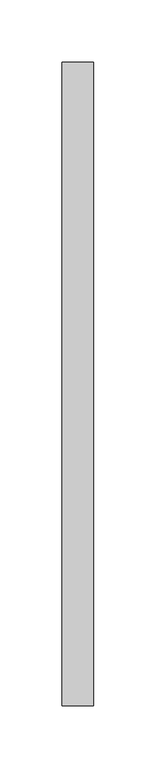
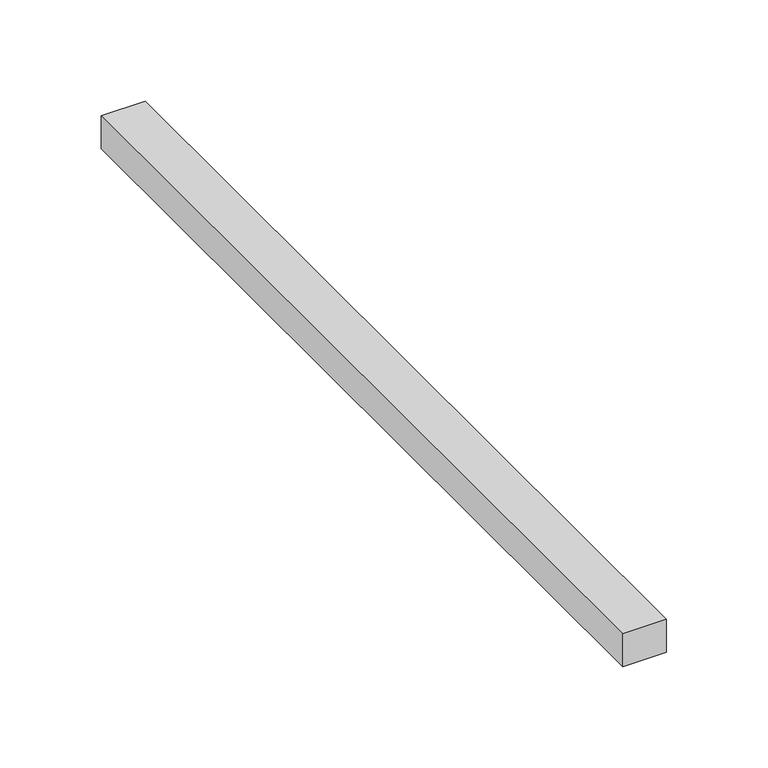
"""IFC4 building model written with IfcOpenShell, lengths in millimetres: proxy geometry."""

import ifcopenshell
import ifcopenshell.guid

model = None  # the IFC model being written
_history = None  # IfcOwnerHistory: only IFC2X3 demands one
_inside = {}  # id of a spatial element -> (the spatial element, [elements in it])
_under = {}  # id of a project, library or spatial element -> (it, [spatial elements below it])
_declared = {}  # id of a project -> (the project, [libraries it declares])
_typed = {}  # id of a type object -> (the type object, [elements of that type])
_made_of = {}  # id of a material, layer set ... -> (it, [elements and type objects made of it])


def new_model(schema):
    """Start an empty IFC model of exactly this schema.

    Asked for "IFC4X3", IfcOpenShell would pick the latest addendum, in which some entities
    have other attributes; the version numbers below select the first issue.
    IFC2X3 requires an IfcOwnerHistory on every rooted entity: one is made here for all.
    """
    global model, _history
    if schema == "IFC4X3":
        model = ifcopenshell.file(schema_version=(4, 3, 0, 0))
    else:
        model = ifcopenshell.file(schema=schema)
    _inside.clear()
    _under.clear()
    _declared.clear()
    _typed.clear()
    _made_of.clear()
    _history = None
    if model.schema == "IFC2X3":
        org = make("IfcOrganization", Name="unknown")
        user = make(
            "IfcPersonAndOrganization",
            ThePerson=make("IfcPerson", FamilyName="unknown"),
            TheOrganization=org,
        )
        app = make(
            "IfcApplication",
            ApplicationDeveloper=org,
            Version="unknown",
            ApplicationFullName="unknown",
            ApplicationIdentifier="unknown",
        )
        _history = make(
            "IfcOwnerHistory",
            OwningUser=user,
            OwningApplication=app,
            ChangeAction="ADDED",
            CreationDate=0,
        )
    return model


def make(cls, **values):
    """One entity of the class cls with the attributes given. An attribute that is None is left unset."""
    return model.create_entity(
        cls, **{name: value for name, value in values.items() if value is not None}
    )


def rooted(cls, **values):
    """An entity with a GlobalId (a new one), such as an element, a storey or a relation."""
    return make(cls, GlobalId=ifcopenshell.guid.new(), OwnerHistory=_history, **values)


def si_unit(unit_type, name, prefix=None):
    """IfcSIUnit, for example si_unit("LENGTHUNIT", "METRE", prefix="MILLI")."""
    return make("IfcSIUnit", UnitType=unit_type, Prefix=prefix, Name=name)


def assignment(units):
    """IfcUnitAssignment: the units of a project."""
    return None if units is None else make("IfcUnitAssignment", Units=units)


def point(xyz):
    """IfcCartesianPoint."""
    return None if xyz is None else make("IfcCartesianPoint", Coordinates=xyz)


def direction(xyz):
    """IfcDirection."""
    return None if xyz is None else make("IfcDirection", DirectionRatios=xyz)


def frame(location, z_axis=None, x_axis=None):
    """IfcAxis2Placement3D, a coordinate frame: its origin and axes. An axis left out is left unset."""
    return make(
        "IfcAxis2Placement3D",
        Location=point(location),
        Axis=direction(z_axis),
        RefDirection=direction(x_axis),
    )


def origin():
    """The frame at (0, 0, 0) with its axes left unset."""
    return frame((0.0, 0.0, 0.0))


def origin_with_axes():
    """The frame at (0, 0, 0) with the z axis (0, 0, 1) and the x axis (1, 0, 0) written out."""
    return frame((0.0, 0.0, 0.0), z_axis=(0.0, 0.0, 1.0), x_axis=(1.0, 0.0, 0.0))


def place(relative_to, where):
    """IfcLocalPlacement: puts the frame where relative to a parent placement (None: the world)."""
    return make(
        "IfcLocalPlacement", PlacementRelTo=relative_to, RelativePlacement=where
    )


def context(
    kind, dimensions, precision=None, world=None, true_north=None, identifier=None
):
    """IfcGeometricRepresentationContext, for example the 3D "Model" context."""
    return make(
        "IfcGeometricRepresentationContext",
        ContextIdentifier=identifier,
        ContextType=kind,
        CoordinateSpaceDimension=dimensions,
        Precision=precision,
        WorldCoordinateSystem=world,
        TrueNorth=true_north,
    )


def project(units=None, contexts=None):
    """IfcProject with its units and contexts."""
    return rooted(
        "IfcProject",
        Name="project",
        RepresentationContexts=contexts,
        UnitsInContext=assignment(units),
    )


def spatial(cls, under=None, at=None, **own):
    """A site, building, storey or space (cls), placed at a placement, below another one or the project."""
    s = rooted(cls, ObjectPlacement=at, **own)
    if under is not None:
        _under.setdefault(under.id(), (under, []))[1].append(s)
    return s


def polyline(points):
    """IfcPolyline through the points."""
    return make("IfcPolyline", Points=[point(p) for p in points])


def outline(outer, holes=None, kind="AREA"):
    """IfcArbitraryClosedProfileDef: a profile drawn as a closed curve; with holes, ...WithVoids."""
    if holes is None:
        return make("IfcArbitraryClosedProfileDef", ProfileType=kind, OuterCurve=outer)
    return make(
        "IfcArbitraryProfileDefWithVoids",
        ProfileType=kind,
        OuterCurve=outer,
        InnerCurves=holes,
    )


def extrude(swept, where, along, depth):
    """IfcExtrudedAreaSolid: the profile swept, set in the frame where, extruded along a direction by depth."""
    return make(
        "IfcExtrudedAreaSolid",
        SweptArea=swept,
        Position=where,
        ExtrudedDirection=direction(along),
        Depth=depth,
    )


def shape(context_of_items, identifier, shape_type, items):
    """IfcShapeRepresentation: the items that make up one representation, for example the "Body"."""
    return make(
        "IfcShapeRepresentation",
        ContextOfItems=context_of_items,
        RepresentationIdentifier=identifier,
        RepresentationType=shape_type,
        Items=items,
    )


def source(mapping_origin, context_of_items, identifier, shape_type, items):
    """IfcRepresentationMap: a shape defined once, which mapped items show again and again."""
    return make(
        "IfcRepresentationMap",
        MappingOrigin=mapping_origin,
        MappedRepresentation=shape(context_of_items, identifier, shape_type, items),
    )


def transform(
    local_origin,
    x_axis=None,
    y_axis=None,
    z_axis=None,
    scale=None,
    scale2=None,
    scale3=None,
    uniform=True,
):
    """IfcCartesianTransformationOperator3D, or its non-uniform kind. x_axis, y_axis, z_axis: its Axis1, 2, 3."""
    if uniform:
        return make(
            "IfcCartesianTransformationOperator3D",
            Axis1=direction(x_axis),
            Axis2=direction(y_axis),
            LocalOrigin=point(local_origin),
            Scale=scale,
            Axis3=direction(z_axis),
        )
    return make(
        "IfcCartesianTransformationOperator3DnonUniform",
        Axis1=direction(x_axis),
        Axis2=direction(y_axis),
        LocalOrigin=point(local_origin),
        Scale=scale,
        Axis3=direction(z_axis),
        Scale2=scale2,
        Scale3=scale3,
    )


def mapped(mapping_source, mapping_target):
    """IfcMappedItem: shows the shape of a source again, moved by a transform."""
    return make(
        "IfcMappedItem", MappingSource=mapping_source, MappingTarget=mapping_target
    )


def made_of(thing, what):
    """Note that an element or type object is made of a material, layer set ...; save() writes the relation."""
    if what is not None:
        _made_of.setdefault(what.id(), (what, []))[1].append(thing)
    return thing


def element(
    cls,
    number,
    at=None,
    inside=None,
    cuts=None,
    type_object=None,
    material=None,
    context=None,
    identifier="Body",
    shape_type=None,
    held_by="IfcProductDefinitionShape",
    body=None,
    shapes=None,
    **own,
):
    """One element of the class cls, such as IfcWall. Its Tag is "e" and its number.

    at: its placement. inside: the storey or other place that contains it. cuts: it is an
    opening in that element (IfcRelVoidsElement). A single representation is given by context,
    identifier, shape_type and body (its items); several are given by shapes. held_by: the class
    of the entity that holds the representations. save() writes the other relations.
    """
    e = rooted(cls, Tag="e%d" % number, ObjectPlacement=at, **own)
    if body is not None:
        shapes = [shape(context, identifier, shape_type, body)]
    if shapes is not None:
        e.Representation = make(held_by, Representations=shapes)
    if inside is not None:
        _inside.setdefault(inside.id(), (inside, []))[1].append(e)
    if cuts is not None:
        rooted(
            "IfcRelVoidsElement", RelatingBuildingElement=cuts, RelatedOpeningElement=e
        )
    if type_object is not None:
        _typed.setdefault(type_object.id(), (type_object, []))[1].append(e)
    return made_of(e, material)


def aggregate(whole, parts):
    """IfcRelAggregates: a whole, such as a stair, and the parts it consists of."""
    return rooted("IfcRelAggregates", RelatingObject=whole, RelatedObjects=parts)


def save(model, path):
    """Write the relations noted so far, then the file.

    IfcRelAggregates (storeys below a building ...), IfcRelContainedInSpatialStructure (elements
    in a storey), IfcRelDefinesByType, IfcRelAssociatesMaterial and IfcRelDeclares: one each for
    every whole, place, type object, material and project.
    """
    for whole, parts in _under.values():
        aggregate(whole, parts)
    for where, things in _inside.values():
        rooted(
            "IfcRelContainedInSpatialStructure",
            RelatedElements=things,
            RelatingStructure=where,
        )
    for kind, things in _typed.values():
        rooted("IfcRelDefinesByType", RelatedObjects=things, RelatingType=kind)
    for what, things in _made_of.values():
        rooted("IfcRelAssociatesMaterial", RelatedObjects=things, RelatingMaterial=what)
    for by, libraries in _declared.values():
        rooted("IfcRelDeclares", RelatingContext=by, RelatedDefinitions=libraries)
    model.write(path)


def generic_models_44a0a782(model_context):
    return source(origin(), model_context, "Body", "SweptSolid", [
        extrude(outline(polyline([(-12.5, 515.0480316), (12.5, 515.0480316), (12.5, 0.0), (-12.5, 0.0), (-12.5, 515.0480316)])), origin_with_axes(), (0.0, 0.0, 1.0), 20.0),
    ])


if __name__ == "__main__":
    model = new_model("IFC4")
    model_context = context("Model", 3, world=origin())
    ifc_project = project(units=[si_unit("LENGTHUNIT", "METRE", prefix="MILLI")], contexts=[model_context])
    site = spatial("IfcSite", under=ifc_project)
    building = spatial("IfcBuilding", under=site)
    placement = place(None, origin())
    generic_models_shape = generic_models_44a0a782(model_context)
    element("IfcBuildingElementProxy", 1, Name="Generic Models", at=placement, inside=building, context=model_context, shape_type="MappedRepresentation", body=[
        mapped(generic_models_shape, transform((0.0, 0.0, 0.0), x_axis=(1.0, 0.0, 0.0), y_axis=(0.0, 1.0, 0.0), z_axis=(0.0, 0.0, 1.0))),
    ])
    save(model, "model.ifc")
